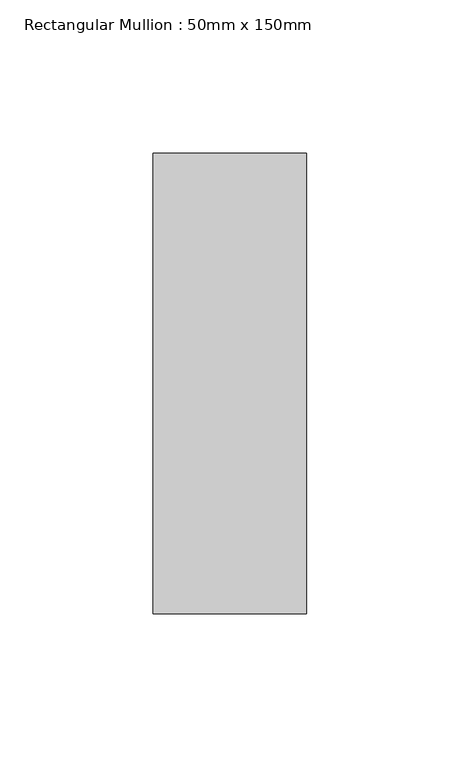
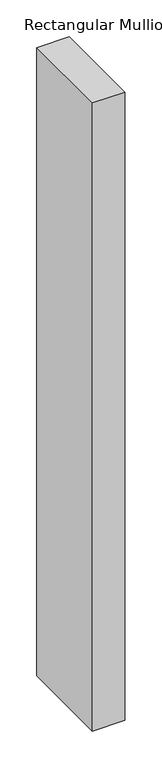
"""IFC4 building model written with IfcOpenShell, lengths in millimetres: member geometry, Rectangular Mullion : 50mm x 150mm."""

from ifc_helpers import new_model, si_unit, frame, origin, place, context, project, spatial, polyline, outline, extrude, source, transform, mapped, element, save


def rectangular_mullion_50mm_x_150mm_9aa2992b(model_context):
    return source(origin(), model_context, "Body", "SweptSolid", [
        extrude(outline(polyline([(0.0, 75.0), (0.0, -75.0), (-50.0, -75.0), (-50.0, 75.0), (0.0, 75.0)])), frame((0.0, 0.0, -1036.5789476), z_axis=(0.0, 0.0, 1.0), x_axis=(1.0, 0.0, 0.0)), (0.0, 0.0, 1.0), 1036.5789476),
    ])


if __name__ == "__main__":
    model = new_model("IFC4")
    model_context = context("Model", 3, world=origin())
    ifc_project = project(units=[si_unit("LENGTHUNIT", "METRE", prefix="MILLI")], contexts=[model_context])
    site = spatial("IfcSite", under=ifc_project)
    building = spatial("IfcBuilding", under=site)
    placement = place(None, origin())
    rectangular_mullion_50mm_x_150mm_shape = rectangular_mullion_50mm_x_150mm_9aa2992b(model_context)
    element("IfcMember", 1, ObjectType="Rectangular Mullion : 50mm x 150mm", at=placement, inside=building, context=model_context, shape_type="MappedRepresentation", body=[
        mapped(rectangular_mullion_50mm_x_150mm_shape, transform((0.0, 0.0, 0.0), x_axis=(1.0, 0.0, 0.0), y_axis=(0.0, 1.0, 0.0), z_axis=(0.0, 0.0, 1.0))),
    ])
    save(model, "model.ifc")
